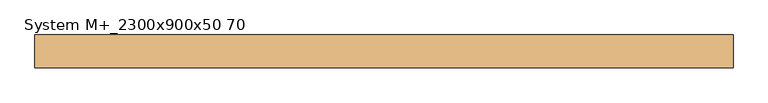
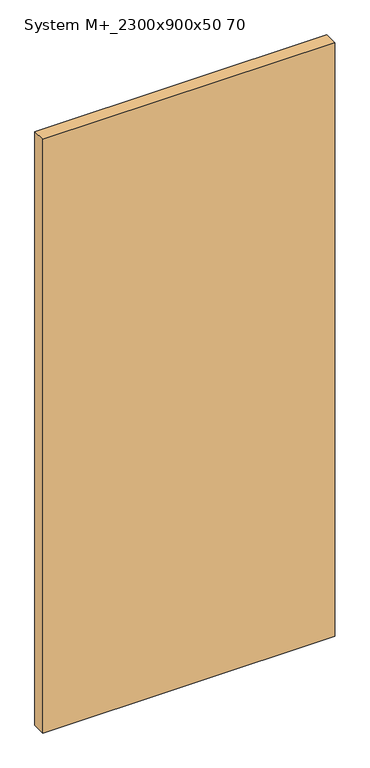
"""IFC4 building model written with IfcOpenShell, lengths in millimetres: door geometry, System M+_2300x900x50 70."""

from ifc_helpers import new_model, si_unit, frame, origin, place, context, project, spatial, polyline, outline, extrude, source, transform, mapped, element, save


def system_m_2300x900x50_70_87c98a7d(model_context):
    return source(origin(), model_context, "Body", "SweptSolid", [
        extrude(outline(polyline([(1000.0, -25.0), (-70.0, -25.0), (-70.0, 25.0), (1000.0, 25.0), (1000.0, -25.0)])), frame((0.0, 0.0, 11.0), z_axis=(0.0, 0.0, 1.0), x_axis=(1.0, 0.0, 0.0)), (0.0, 0.0, 1.0), 2300.0),
    ])


if __name__ == "__main__":
    model = new_model("IFC4")
    model_context = context("Model", 3, world=origin())
    ifc_project = project(units=[si_unit("LENGTHUNIT", "METRE", prefix="MILLI")], contexts=[model_context])
    site = spatial("IfcSite", under=ifc_project)
    building = spatial("IfcBuilding", under=site)
    placement = place(None, origin())
    system_m_2300x900x50_70_shape = system_m_2300x900x50_70_87c98a7d(model_context)
    element("IfcDoor", 1, ObjectType="System M+_2300x900x50 70", at=placement, inside=building, context=model_context, shape_type="MappedRepresentation", body=[
        mapped(system_m_2300x900x50_70_shape, transform((0.0, 0.0, 0.0), x_axis=(1.0, 0.0, 0.0), y_axis=(0.0, 1.0, 0.0), z_axis=(0.0, 0.0, 1.0))),
    ])
    save(model, "model.ifc")
